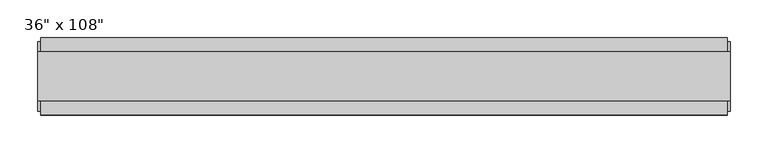
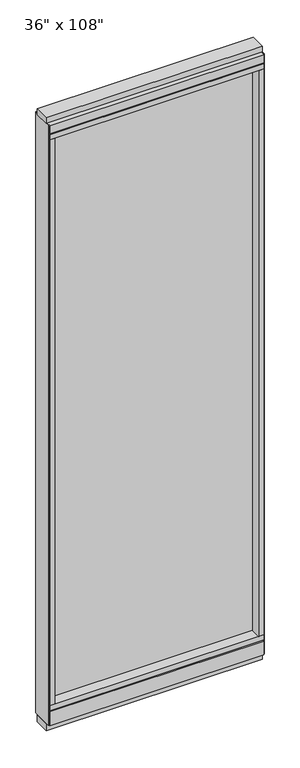
"""IFC4 building model written with IfcOpenShell, lengths in millimetres: furniture geometry."""

from ifc_helpers import new_model, si_unit, frame, origin, origin_with_axes, place, context, project, spatial, polyline, outline, extrude, source, transform, mapped, element, save


def furniture_915214f8(model_context):
    return source(origin(), model_context, "Body", "SweptSolid", [
        extrude(outline(polyline([(371.0014771, 9.5977216), (371.0014771, -0.5622784), (-491.0745229, -0.5622784), (-491.0745229, 9.5977216), (371.0014771, 9.5977216)])), frame((0.0, 0.0, 120.523), z_axis=(0.0, 0.0, 1.0), x_axis=(1.0, 0.0, 0.0)), (0.0, 0.0, 1.0), 2533.777),
        extrude(outline(polyline([(55.3177216, 93.345), (55.3177216, 31.75), (-46.2822784, 31.75), (-46.2822784, 93.345), (-41.3292784, 93.345), (-41.3292784, 98.298), (50.3647216, 98.298), (50.3647216, 93.345), (55.3177216, 93.345)])), frame((-513.2995229, 0.0, 0.0), z_axis=(1.0, 0.0, 0.0), x_axis=(0.0, 1.0, 0.0)), (0.0, 0.0, 1.0), 906.526),
        extrude(outline(polyline([(-513.2995229, 55.3177216), (393.2264771, 55.3177216), (393.2264771, -46.2822784), (-513.2995229, -46.2822784), (-513.2995229, 55.3177216)])), frame((0.0, 0.0, 98.298), z_axis=(0.0, 0.0, 1.0), x_axis=(1.0, 0.0, 0.0)), (0.0, 0.0, 1.0), 22.225),
        extrude(outline(polyline([(397.1634771, -27.9942784), (-517.2365229, -27.9942784), (-517.2365229, 37.0297216), (397.1634771, 37.0297216), (397.1634771, -27.9942784)])), origin_with_axes(), (0.0, 0.0, 1.0), 31.75),
        extrude(outline(polyline([(-517.2365229, 37.0297216), (397.1634771, 37.0297216), (397.1634771, -27.9942784), (-517.2365229, -27.9942784), (-517.2365229, 37.0297216)])), frame((0.0, 0.0, 2717.8), z_axis=(0.0, 0.0, 1.0), x_axis=(1.0, 0.0, 0.0)), (0.0, 0.0, 1.0), 25.4),
        extrude(outline(polyline([(55.3177216, 2681.478), (50.3647216, 2681.478), (50.3647216, 2676.525), (-41.3292784, 2676.525), (-41.3292784, 2681.478), (-46.2822784, 2681.478), (-46.2822784, 2717.8), (55.3177216, 2717.8), (55.3177216, 2681.478)])), frame((-513.2995229, 0.0, 0.0), z_axis=(1.0, 0.0, 0.0), x_axis=(0.0, 1.0, 0.0)), (0.0, 0.0, 1.0), 906.526),
        extrude(outline(polyline([(393.2264771, -46.2822784), (-513.2995229, -46.2822784), (-513.2995229, 55.3177216), (393.2264771, 55.3177216), (393.2264771, -46.2822784)])), frame((0.0, 0.0, 2654.3), z_axis=(0.0, 0.0, 1.0), x_axis=(1.0, 0.0, 0.0)), (0.0, 0.0, 1.0), 22.225),
        extrude(outline(polyline([(371.0014771, 55.3177216), (393.2264771, 55.3177216), (393.2264771, -46.2822784), (371.0014771, -46.2822784), (371.0014771, 55.3177216)])), frame((0.0, 0.0, 120.523), z_axis=(0.0, 0.0, 1.0), x_axis=(1.0, 0.0, 0.0)), (0.0, 0.0, 1.0), 2533.777),
        extrude(outline(polyline([(-491.0745229, 55.3177216), (-491.0745229, -46.2822784), (-513.2995229, -46.2822784), (-513.2995229, 55.3177216), (-491.0745229, 55.3177216)])), frame((0.0, 0.0, 120.523), z_axis=(0.0, 0.0, 1.0), x_axis=(1.0, 0.0, 0.0)), (0.0, 0.0, 1.0), 2533.777),
        extrude(outline(polyline([(397.1634771, 50.3647216), (397.1634771, -41.3292784), (393.2264771, -41.3292784), (393.2264771, 50.3647216), (397.1634771, 50.3647216)])), frame((0.0, 0.0, 31.75), z_axis=(0.0, 0.0, 1.0), x_axis=(1.0, 0.0, 0.0)), (0.0, 0.0, 1.0), 2686.05),
        extrude(outline(polyline([(-517.2365229, 50.3647216), (-513.2995229, 50.3647216), (-513.2995229, -41.3292784), (-517.2365229, -41.3292784), (-517.2365229, 50.3647216)])), frame((0.0, 0.0, 31.75), z_axis=(0.0, 0.0, 1.0), x_axis=(1.0, 0.0, 0.0)), (0.0, 0.0, 1.0), 2686.05),
    ])


if __name__ == "__main__":
    model = new_model("IFC4")
    model_context = context("Model", 3, world=origin())
    ifc_project = project(units=[si_unit("LENGTHUNIT", "METRE", prefix="MILLI")], contexts=[model_context])
    site = spatial("IfcSite", under=ifc_project)
    building = spatial("IfcBuilding", under=site)
    placement = place(None, origin())
    furniture_shape = furniture_915214f8(model_context)
    element("IfcFurniture", 1, ObjectType="36\" x 108\"", at=placement, inside=building, context=model_context, shape_type="MappedRepresentation", body=[
        mapped(furniture_shape, transform((0.0, 0.0, 0.0), x_axis=(1.0, 0.0, 0.0), y_axis=(0.0, 1.0, 0.0), z_axis=(0.0, 0.0, 1.0))),
    ])
    save(model, "model.ifc")
